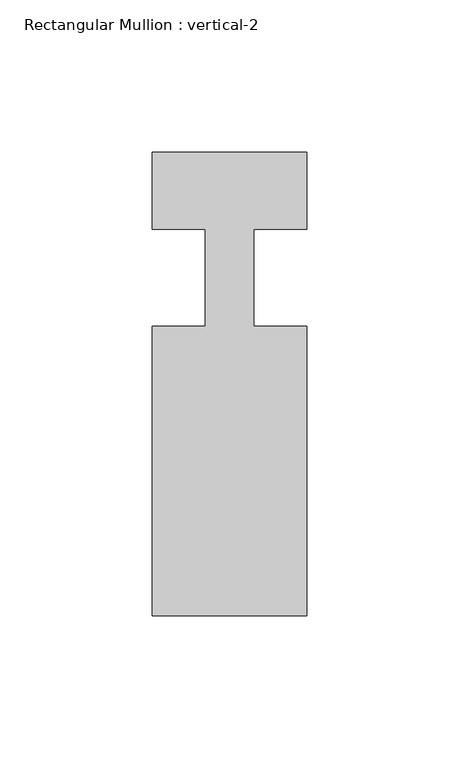
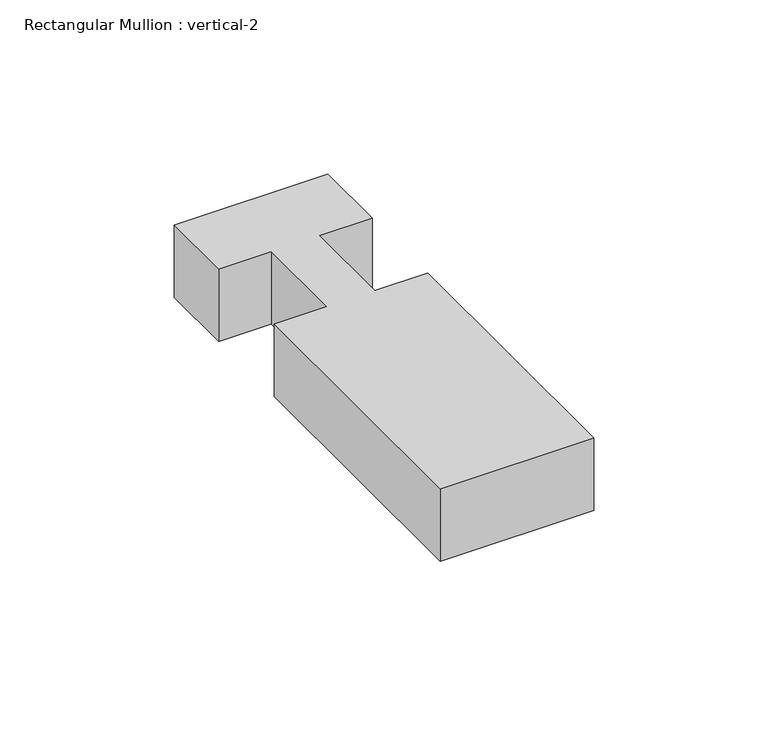
"""IFC4 building model written with IfcOpenShell, lengths in millimetres: member geometry, Rectangular Mullion : vertical-2."""

from ifc_helpers import new_model, si_unit, frame, origin, place, context, project, spatial, polyline, outline, extrude, source, transform, mapped, element, save


def rectangular_mullion_vertical_2_14b5335e(model_context):
    return source(origin(), model_context, "Body", "SweptSolid", [
        extrude(outline(polyline([(25.4, -146.05), (-25.4, -146.05), (-25.4, -50.8), (-7.9502, -50.8), (-7.9502, -19.05), (-25.4, -19.05), (-25.4, 6.35), (25.4, 6.35), (25.4, -19.05), (7.9502, -19.05), (7.9502, -50.8), (25.4, -50.8), (25.4, -146.05)])), frame((0.0, 0.0, -25.4), z_axis=(0.0, 0.0, 1.0), x_axis=(1.0, 0.0, 0.0)), (0.0, 0.0, 1.0), 25.4),
    ])


if __name__ == "__main__":
    model = new_model("IFC4")
    model_context = context("Model", 3, world=origin())
    ifc_project = project(units=[si_unit("LENGTHUNIT", "METRE", prefix="MILLI")], contexts=[model_context])
    site = spatial("IfcSite", under=ifc_project)
    building = spatial("IfcBuilding", under=site)
    placement = place(None, origin())
    rectangular_mullion_vertical_2_shape = rectangular_mullion_vertical_2_14b5335e(model_context)
    element("IfcMember", 1, ObjectType="Rectangular Mullion : vertical-2", at=placement, inside=building, context=model_context, shape_type="MappedRepresentation", body=[
        mapped(rectangular_mullion_vertical_2_shape, transform((0.0, 0.0, 0.0), x_axis=(1.0, 0.0, 0.0), y_axis=(0.0, 1.0, 0.0), z_axis=(0.0, 0.0, 1.0))),
    ])
    save(model, "model.ifc")
